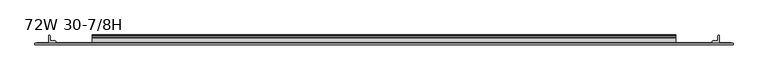
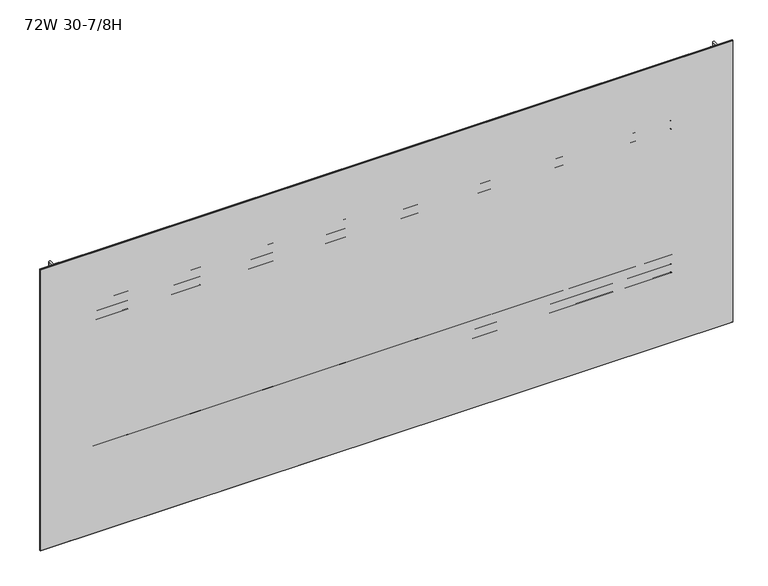
"""IFC4 building model written with IfcOpenShell, lengths in millimetres: furniture geometry, 72W 30-7/8H."""

from ifc_helpers import new_model, si_unit, point, frame, frame_2d, origin, place, context, project, spatial, polyline, circle_curve, trimmed, segment, composite_curve, outline, extrude, faceted_brep, source, transform, mapped, element, save


def furniture_72w_30_7_8h_966fc658(model_context):
    return source(origin(), model_context, "Body", "SolidModel", [
        extrude(outline(composite_curve([segment(polyline([(-5.2324, 715.0809175), (-5.2324, 736.1994434)]), True, "CONTINUOUS"), segment(trimmed(circle_curve(frame_2d((-4.677496, 736.1994434)), 0.554904), [point((-5.2324, 736.1994434))], [point((-4.5338691, 736.7354377))], False, "CARTESIAN"), True, "CONTINUOUS"), segment(polyline([(-4.5338691, 736.7354377), (-3.3274001, 736.4121481), (-2.3976956, 735.482481), (-2.0574001, 734.2124277), (-2.0574001, 721.4426431)]), True, "CONTINUOUS"), segment(trimmed(circle_curve(frame_2d((-1.4921701, 721.4426431)), 0.5652299), [point((-2.0574001, 721.4426431))], [point((-1.4921701, 720.8774132))], True, "CARTESIAN"), True, "CONTINUOUS"), segment(polyline([(-1.4921701, 720.8774132), (0.5143951, 720.8774132)]), True, "CONTINUOUS"), segment(trimmed(circle_curve(frame_2d((0.5143951, 720.2742083)), 0.6032049), [point((0.5143951, 720.8774132))], [point((1.1176, 720.2742083))], False, "CARTESIAN"), True, "CONTINUOUS"), segment(polyline([(1.1176, 720.2742083), (1.1176, 689.1596046)]), True, "CONTINUOUS"), segment(trimmed(circle_curve(frame_2d((0.6637885, 691.8488096)), 2.7272272), [point((1.1176, 689.1596046))], [point((-2.0574001, 691.6674229))], False, "CARTESIAN"), True, "CONTINUOUS"), segment(polyline([(-2.0574001, 691.6674229), (-2.0574001, 713.9831717)]), True, "CONTINUOUS"), segment(trimmed(circle_curve(frame_2d((-2.6016657, 713.9831717)), 0.5442657), [point((-2.0574001, 713.9831717))], [point((-2.6016657, 714.5274374))], True, "CARTESIAN"), True, "CONTINUOUS"), segment(polyline([(-2.6016657, 714.5274374), (-4.6789199, 714.5274374)]), True, "CONTINUOUS"), segment(trimmed(circle_curve(frame_2d((-4.6789199, 715.0809175)), 0.5534801), [point((-4.6789199, 714.5274374))], [point((-5.2324, 715.0809175))], False, "CARTESIAN"), True, "CONTINUOUS")], self_intersect=False)), frame((152.4, 0.0, 0.0), z_axis=(1.0, 0.0, 0.0), x_axis=(0.0, 1.0, 0.0)), (0.0, 0.0, 1.0), 1524.0),
        extrude(outline(composite_curve([segment(polyline([(-7.1373999, 768.5024132), (-4.5974, 767.8218588), (-2.7379909, 765.9624519), (-2.0574001, 763.422418), (-2.0574001, 741.8087352)]), True, "CONTINUOUS"), segment(trimmed(circle_curve(frame_2d((-1.4969277, 741.8087352)), 0.5604724), [point((-2.0574001, 741.8087352))], [point((-1.4969277, 741.2482628))], True, "CARTESIAN"), True, "CONTINUOUS"), segment(polyline([(-1.4969277, 741.2482628), (0.4039455, 741.2482628)]), True, "CONTINUOUS"), segment(trimmed(circle_curve(frame_2d((0.4039455, 740.5346084)), 0.7136544), [point((0.4039455, 741.2482628))], [point((1.1176, 740.5346084))], False, "CARTESIAN"), True, "CONTINUOUS"), segment(polyline([(1.1176, 740.5346084), (1.1176, 722.1784694)]), True, "CONTINUOUS"), segment(trimmed(circle_curve(frame_2d((0.4746932, 722.1784694)), 0.6429068), [point((1.1176, 722.1784694))], [point((-0.1003385, 721.8909495))], False, "CARTESIAN"), True, "CONTINUOUS"), segment(polyline([(-0.1003385, 721.8909495), (-1.8183367, 725.3268984)]), True, "CONTINUOUS"), segment(trimmed(circle_curve(frame_2d((0.2069874, 726.3395745)), 2.2643874), [point((-1.8183367, 725.3268984))], [point((-2.0574001, 726.3395745))], False, "CARTESIAN"), True, "CONTINUOUS"), segment(polyline([(-2.0574001, 726.3395745), (-2.0574001, 736.0152528)]), True, "CONTINUOUS"), segment(trimmed(circle_curve(frame_2d((-2.7946089, 736.0152528)), 0.7372088), [point((-2.0574001, 736.0152528))], [point((-2.7946089, 736.7524616))], True, "CARTESIAN"), True, "CONTINUOUS"), segment(polyline([(-2.7946089, 736.7524616), (-19.4564001, 736.7524616), (-19.4564001, 768.5024132), (-7.1373999, 768.5024132)]), True, "CONTINUOUS")], self_intersect=False), holes=[composite_curve([segment(trimmed(circle_curve(frame_2d((-13.0222745, 763.2113262)), 2.7511257), [point((-13.0222745, 765.9624519))], [point((-15.7734002, 763.2113262))], True, "CARTESIAN"), True, "CONTINUOUS"), segment(polyline([(-15.7734002, 763.2113262), (-15.7734002, 741.8764781)]), True, "CONTINUOUS"), segment(trimmed(circle_curve(frame_2d((-13.189345, 741.8764781)), 2.5840552), [point((-15.7734002, 741.8764781))], [point((-13.189345, 739.2924229))], True, "CARTESIAN"), True, "CONTINUOUS"), segment(polyline([(-13.189345, 739.2924229), (-7.4218653, 739.2924229)]), True, "CONTINUOUS"), segment(trimmed(circle_curve(frame_2d((-7.4218653, 742.1168881)), 2.8244652), [point((-7.4218653, 739.2924229))], [point((-4.5974, 742.1168881))], True, "CARTESIAN"), True, "CONTINUOUS"), segment(polyline([(-4.5974, 742.1168881), (-4.5974, 763.2853081)]), True, "CONTINUOUS"), segment(trimmed(circle_curve(frame_2d((-7.2745438, 763.2853081)), 2.6771438), [point((-4.5974, 763.2853081))], [point((-7.2745438, 765.9624519))], True, "CARTESIAN"), True, "CONTINUOUS"), segment(polyline([(-7.2745438, 765.9624519), (-13.0222745, 765.9624519)]), True, "CONTINUOUS")], self_intersect=False)]), frame((152.4, 0.0, 0.0), z_axis=(1.0, 0.0, 0.0), x_axis=(0.0, 1.0, 0.0)), (0.0, 0.0, 1.0), 1524.0),
        extrude(outline(composite_curve([segment(polyline([(-5.2324, 1115.1182044), (-5.2324, 1136.2367302)]), True, "CONTINUOUS"), segment(trimmed(circle_curve(frame_2d((-4.677496, 1136.2367302)), 0.554904), [point((-5.2324, 1136.2367302))], [point((-4.5338691, 1136.7727245))], False, "CARTESIAN"), True, "CONTINUOUS"), segment(polyline([(-4.5338691, 1136.7727245), (-3.3274001, 1136.4494349), (-2.3976956, 1135.5197678), (-2.0574001, 1134.2497145), (-2.0574001, 1121.4799299)]), True, "CONTINUOUS"), segment(trimmed(circle_curve(frame_2d((-1.4921701, 1121.4799299)), 0.5652299), [point((-2.0574001, 1121.4799299))], [point((-1.4921701, 1120.9147))], True, "CARTESIAN"), True, "CONTINUOUS"), segment(polyline([(-1.4921701, 1120.9147), (0.5143951, 1120.9147)]), True, "CONTINUOUS"), segment(trimmed(circle_curve(frame_2d((0.5143951, 1120.3114951)), 0.6032049), [point((0.5143951, 1120.9147))], [point((1.1176, 1120.3114951))], False, "CARTESIAN"), True, "CONTINUOUS"), segment(polyline([(1.1176, 1120.3114951), (1.1176, 1089.1968914)]), True, "CONTINUOUS"), segment(trimmed(circle_curve(frame_2d((0.6637885, 1091.8860964)), 2.7272272), [point((1.1176, 1089.1968914))], [point((-2.0574001, 1091.7047097))], False, "CARTESIAN"), True, "CONTINUOUS"), segment(polyline([(-2.0574001, 1091.7047097), (-2.0574001, 1114.0204586)]), True, "CONTINUOUS"), segment(trimmed(circle_curve(frame_2d((-2.6016657, 1114.0204586)), 0.5442657), [point((-2.0574001, 1114.0204586))], [point((-2.6016657, 1114.5647242))], True, "CARTESIAN"), True, "CONTINUOUS"), segment(polyline([(-2.6016657, 1114.5647242), (-4.6789199, 1114.5647242)]), True, "CONTINUOUS"), segment(trimmed(circle_curve(frame_2d((-4.6789199, 1115.1182044)), 0.5534801), [point((-4.6789199, 1114.5647242))], [point((-5.2324, 1115.1182044))], False, "CARTESIAN"), True, "CONTINUOUS")], self_intersect=False)), frame((152.4, 0.0, 0.0), z_axis=(1.0, 0.0, 0.0), x_axis=(0.0, 1.0, 0.0)), (0.0, 0.0, 1.0), 1524.0),
        extrude(outline(composite_curve([segment(polyline([(-7.1373999, 1168.5397), (-4.5974, 1167.8591456), (-2.7379909, 1165.9997388), (-2.0574001, 1163.4597048), (-2.0574001, 1141.846022)]), True, "CONTINUOUS"), segment(trimmed(circle_curve(frame_2d((-1.4969277, 1141.846022)), 0.5604724), [point((-2.0574001, 1141.846022))], [point((-1.4969277, 1141.2855496))], True, "CARTESIAN"), True, "CONTINUOUS"), segment(polyline([(-1.4969277, 1141.2855496), (0.4039455, 1141.2855496)]), True, "CONTINUOUS"), segment(trimmed(circle_curve(frame_2d((0.4039455, 1140.5718952)), 0.7136544), [point((0.4039455, 1141.2855496))], [point((1.1176, 1140.5718952))], False, "CARTESIAN"), True, "CONTINUOUS"), segment(polyline([(1.1176, 1140.5718952), (1.1176, 1122.2157562)]), True, "CONTINUOUS"), segment(trimmed(circle_curve(frame_2d((0.4746932, 1122.2157562)), 0.6429068), [point((1.1176, 1122.2157562))], [point((-0.1003385, 1121.9282364))], False, "CARTESIAN"), True, "CONTINUOUS"), segment(polyline([(-0.1003385, 1121.9282364), (-1.8183367, 1125.3641852)]), True, "CONTINUOUS"), segment(trimmed(circle_curve(frame_2d((0.2069874, 1126.3768613)), 2.2643874), [point((-1.8183367, 1125.3641852))], [point((-2.0574001, 1126.3768613))], False, "CARTESIAN"), True, "CONTINUOUS"), segment(polyline([(-2.0574001, 1126.3768613), (-2.0574001, 1136.0525396)]), True, "CONTINUOUS"), segment(trimmed(circle_curve(frame_2d((-2.7946089, 1136.0525396)), 0.7372088), [point((-2.0574001, 1136.0525396))], [point((-2.7946089, 1136.7897484))], True, "CARTESIAN"), True, "CONTINUOUS"), segment(polyline([(-2.7946089, 1136.7897484), (-19.4564001, 1136.7897484), (-19.4564001, 1168.5397), (-7.1373999, 1168.5397)]), True, "CONTINUOUS")], self_intersect=False), holes=[composite_curve([segment(trimmed(circle_curve(frame_2d((-13.0222745, 1163.248613)), 2.7511257), [point((-13.0222745, 1165.9997388))], [point((-15.7734002, 1163.248613))], True, "CARTESIAN"), True, "CONTINUOUS"), segment(polyline([(-15.7734002, 1163.248613), (-15.7734002, 1141.9137649)]), True, "CONTINUOUS"), segment(trimmed(circle_curve(frame_2d((-13.189345, 1141.9137649)), 2.5840552), [point((-15.7734002, 1141.9137649))], [point((-13.189345, 1139.3297097))], True, "CARTESIAN"), True, "CONTINUOUS"), segment(polyline([(-13.189345, 1139.3297097), (-7.4218653, 1139.3297097)]), True, "CONTINUOUS"), segment(trimmed(circle_curve(frame_2d((-7.4218653, 1142.1541749)), 2.8244652), [point((-7.4218653, 1139.3297097))], [point((-4.5974, 1142.1541749))], True, "CARTESIAN"), True, "CONTINUOUS"), segment(polyline([(-4.5974, 1142.1541749), (-4.5974, 1163.322595)]), True, "CONTINUOUS"), segment(trimmed(circle_curve(frame_2d((-7.2745438, 1163.322595)), 2.6771438), [point((-4.5974, 1163.322595))], [point((-7.2745438, 1165.9997388))], True, "CARTESIAN"), True, "CONTINUOUS"), segment(polyline([(-7.2745438, 1165.9997388), (-13.0222745, 1165.9997388)]), True, "CONTINUOUS")], self_intersect=False)]), frame((152.4, 0.0, 0.0), z_axis=(1.0, 0.0, 0.0), x_axis=(0.0, 1.0, 0.0)), (0.0, 0.0, 1.0), 1524.0),
        extrude(outline(composite_curve([segment(trimmed(circle_curve(frame_2d((1790.1524764, -18.9088765)), 0.5475236), [point((1790.7, -18.9088765))], [point((1790.1524764, -19.4564001))], False, "CARTESIAN"), True, "CONTINUOUS"), segment(polyline([(1790.1524764, -19.4564001), (1772.2113866, -19.4564001)]), True, "CONTINUOUS"), segment(trimmed(circle_curve(frame_2d((1772.2113866, -18.8950135)), 0.5613866), [point((1772.2113866, -19.4564001))], [point((1771.65, -18.8950135))], False, "CARTESIAN"), True, "CONTINUOUS"), segment(polyline([(1771.65, -18.8950135), (1771.65, -16.8669745)]), True, "CONTINUOUS"), segment(trimmed(circle_curve(frame_2d((1774.2294745, -16.8669745)), 2.5794745), [point((1771.65, -16.8669745))], [point((1774.2294745, -14.2875))], False, "CARTESIAN"), True, "CONTINUOUS"), segment(polyline([(1774.2294745, -14.2875), (1785.2787912, -14.2875)]), True, "CONTINUOUS"), segment(trimmed(circle_curve(frame_2d((1785.2787912, -13.6414903)), 0.6460097), [point((1785.2787912, -14.2875))], [point((1785.9248009, -13.6414903))], True, "CARTESIAN"), True, "CONTINUOUS"), segment(polyline([(1785.9248009, -13.6414903), (1785.9248009, -2.768893)]), True, "CONTINUOUS"), segment(trimmed(circle_curve(frame_2d((1788.6936939, -2.768893)), 2.768893), [point((1785.9248009, -2.768893))], [point((1788.6936939, 0.0))], False, "CARTESIAN"), True, "CONTINUOUS"), segment(polyline([(1788.6936939, 0.0), (1790.1082199, 0.0)]), True, "CONTINUOUS"), segment(trimmed(circle_curve(frame_2d((1790.1082199, -0.5917801)), 0.5917801), [point((1790.1082199, 0.0))], [point((1790.7, -0.5917801))], False, "CARTESIAN"), True, "CONTINUOUS"), segment(polyline([(1790.7, -0.5917801), (1790.7, -18.9088765)]), True, "CONTINUOUS")], self_intersect=False)), frame((0.0, 0.0, 541.655), z_axis=(0.0, 0.0, 1.0), x_axis=(1.0, 0.0, 0.0)), (0.0, 0.0, 1.0), 774.6873),
        extrude(outline(composite_curve([segment(polyline([(38.1, -18.9088765), (38.1, -0.5917801)]), True, "CONTINUOUS"), segment(trimmed(circle_curve(frame_2d((38.6917801, -0.5917801)), 0.5917801), [point((38.1, -0.5917801))], [point((38.6917801, 0.0))], False, "CARTESIAN"), True, "CONTINUOUS"), segment(polyline([(38.6917801, 0.0), (40.1063061, 0.0)]), True, "CONTINUOUS"), segment(trimmed(circle_curve(frame_2d((40.1063061, -2.768893)), 2.768893), [point((40.1063061, 0.0))], [point((42.8751991, -2.768893))], False, "CARTESIAN"), True, "CONTINUOUS"), segment(polyline([(42.8751991, -2.768893), (42.8751991, -13.6414903)]), True, "CONTINUOUS"), segment(trimmed(circle_curve(frame_2d((43.5212088, -13.6414903)), 0.6460097), [point((42.8751991, -13.6414903))], [point((43.5212088, -14.2875))], True, "CARTESIAN"), True, "CONTINUOUS"), segment(polyline([(43.5212088, -14.2875), (54.5705255, -14.2875)]), True, "CONTINUOUS"), segment(trimmed(circle_curve(frame_2d((54.5705255, -16.8669745)), 2.5794745), [point((54.5705255, -14.2875))], [point((57.15, -16.8669745))], False, "CARTESIAN"), True, "CONTINUOUS"), segment(polyline([(57.15, -16.8669745), (57.15, -18.8950135)]), True, "CONTINUOUS"), segment(trimmed(circle_curve(frame_2d((56.5886134, -18.8950135)), 0.5613866), [point((57.15, -18.8950135))], [point((56.5886134, -19.4564001))], False, "CARTESIAN"), True, "CONTINUOUS"), segment(polyline([(56.5886134, -19.4564001), (38.6475236, -19.4564001)]), True, "CONTINUOUS"), segment(trimmed(circle_curve(frame_2d((38.6475236, -18.9088765)), 0.5475236), [point((38.6475236, -19.4564001))], [point((38.1, -18.9088765))], False, "CARTESIAN"), True, "CONTINUOUS")], self_intersect=False)), frame((0.0, 0.0, 541.655), z_axis=(0.0, 0.0, 1.0), x_axis=(1.0, 0.0, 0.0)), (0.0, 0.0, 1.0), 774.6873),
        extrude(outline(polyline([(1821.4975002, -20.0634601), (7.3024998, -20.0634601), (7.3024998, -19.4564001), (1821.4975002, -19.4564001), (1821.4975002, -20.0634601)])), frame((0.0, 0.0, 541.655), z_axis=(0.0, 0.0, 1.0), x_axis=(1.0, 0.0, 0.0)), (0.0, 0.0, 1.0), 774.6873),
        faceted_brep([(1826.2600024, -24.0512595, 1321.1048), (1826.2600024, -20.8508598, 1321.1048), (2.5400001, -20.8508598, 1321.1048), (2.5400001, -24.0512595, 1321.1048), (2.5400001, -24.0512595, 536.8798), (2.5400001, -20.8508598, 536.8798), (1826.2600024, -20.8508598, 536.8798), (1826.2600024, -24.0512595, 536.8798), (3.3274521, -24.8386592, 1320.3173481), (3.3274521, -24.8386592, 537.6672519), (1825.4725505, -24.8386592, 537.6672519), (1825.4725505, -24.8386592, 1320.3173481), (3.3274521, -20.0634601, 537.6672519), (3.3274521, -20.0634601, 1320.3173481), (1825.4725505, -20.0634601, 1320.3173481), (1825.4725505, -20.0634601, 537.6672519)], [[[0, 1, 2, 3]], [[4, 5, 6, 7]], [[8, 9, 10, 11]], [[1, 0, 7, 6]], [[12, 13, 14, 15]], [[3, 2, 5, 4]], [[12, 5, 2, 13]], [[4, 9, 8, 3]], [[5, 12, 15, 6]], [[9, 4, 7, 10]], [[6, 15, 14, 1]], [[10, 7, 0, 11]], [[13, 2, 1, 14]], [[3, 8, 11, 0]]]),
    ])


if __name__ == "__main__":
    model = new_model("IFC4")
    model_context = context("Model", 3, world=origin())
    ifc_project = project(units=[si_unit("LENGTHUNIT", "METRE", prefix="MILLI")], contexts=[model_context])
    site = spatial("IfcSite", under=ifc_project)
    building = spatial("IfcBuilding", under=site)
    placement = place(None, origin())
    furniture_72w_30_7_8h_shape = furniture_72w_30_7_8h_966fc658(model_context)
    element("IfcFurniture", 1, ObjectType="72W 30-7/8H", at=placement, inside=building, context=model_context, shape_type="MappedRepresentation", body=[
        mapped(furniture_72w_30_7_8h_shape, transform((0.0, 0.0, 0.0), x_axis=(1.0, 0.0, 0.0), y_axis=(0.0, 1.0, 0.0), z_axis=(0.0, 0.0, 1.0))),
    ])
    save(model, "model.ifc")
